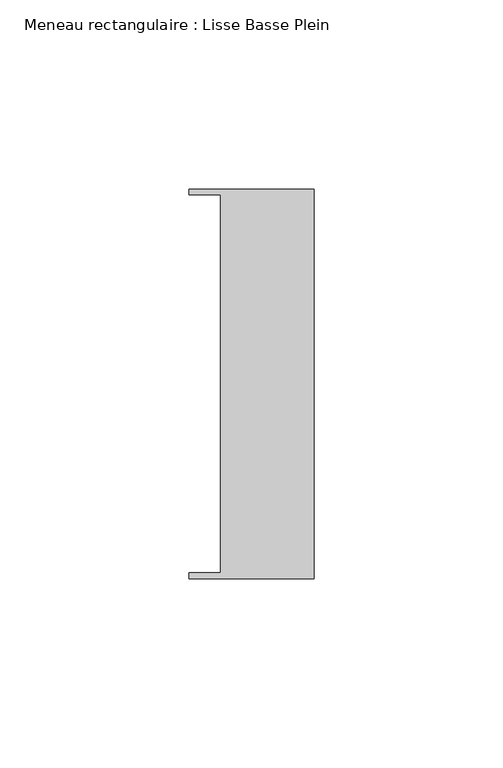
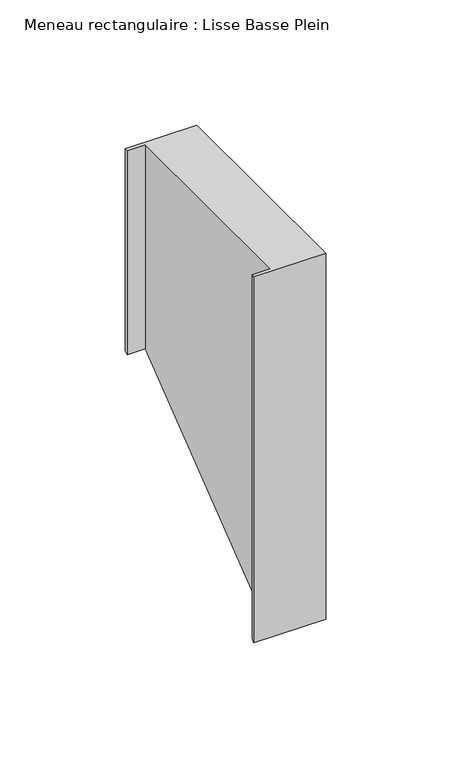
"""IFC4 building model written with IfcOpenShell, lengths in millimetres: member geometry, Meneau rectangulaire : Lisse Basse Plein."""

from ifc_helpers import new_model, si_unit, origin, place, context, project, spatial, faceted_brep, source, transform, mapped, element, save


def meneau_rectangulaire_lisse_basse_plein_29a07cf9(model_context):
    return source(origin(), model_context, "Body", "Brep", [
        faceted_brep([(0.0, -51.5026203, 0.0), (0.0, 51.5026203, 0.0), (-33.0710396, 51.5026203, 0.0), (-33.0710396, 49.9505686, 0.0), (-24.7130865, 49.9505686, 0.0), (-24.7130865, -49.9505686, 0.0), (-33.0710396, -49.9505686, 0.0), (-33.0710396, -51.5026203, 0.0), (0.0, -51.5026203, -178.5991763), (0.0, 51.5026203, -98.2840066), (-33.0710396, 51.5026203, -98.2840066), (-33.0710396, 49.9505686, -99.4941712), (-24.7130865, 49.9505686, -99.4941712), (-24.7130865, -49.9505686, -177.3890117), (-33.0710396, -49.9505686, -177.3890117), (-33.0710396, -51.5026203, -178.5991763)], [[[0, 1, 2, 3, 4, 5, 6, 7]], [[1, 0, 8, 9]], [[2, 1, 9, 10]], [[3, 2, 10, 11]], [[4, 3, 11, 12]], [[5, 4, 12, 13]], [[6, 5, 13, 14]], [[7, 6, 14, 15]], [[0, 7, 15, 8]], [[8, 15, 14, 13, 12, 11, 10, 9]]]),
    ])


if __name__ == "__main__":
    model = new_model("IFC4")
    model_context = context("Model", 3, world=origin())
    ifc_project = project(units=[si_unit("LENGTHUNIT", "METRE", prefix="MILLI")], contexts=[model_context])
    site = spatial("IfcSite", under=ifc_project)
    building = spatial("IfcBuilding", under=site)
    placement = place(None, origin())
    meneau_rectangulaire_lisse_basse_plein_shape = meneau_rectangulaire_lisse_basse_plein_29a07cf9(model_context)
    element("IfcMember", 1, ObjectType="Meneau rectangulaire : Lisse Basse Plein", at=placement, inside=building, context=model_context, shape_type="MappedRepresentation", body=[
        mapped(meneau_rectangulaire_lisse_basse_plein_shape, transform((0.0, 0.0, 0.0), x_axis=(1.0, 0.0, 0.0), y_axis=(0.0, 1.0, 0.0), z_axis=(0.0, 0.0, 1.0))),
    ])
    save(model, "model.ifc")
